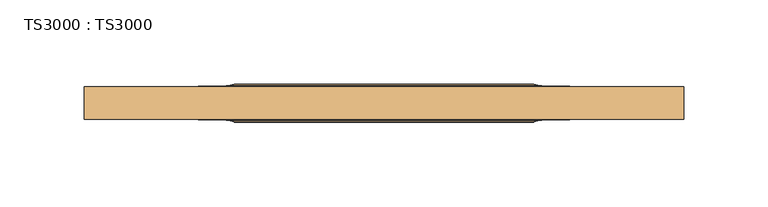
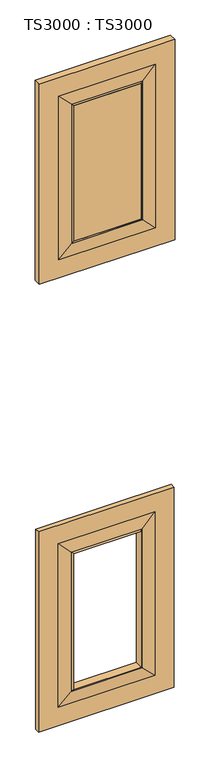
"""IFC4 building model written with IfcOpenShell, lengths in millimetres: door geometry, TS3000 : TS3000."""

import ifcopenshell
import ifcopenshell.guid

model = None  # the IFC model being written
_history = None  # IfcOwnerHistory: only IFC2X3 demands one
_inside = {}  # id of a spatial element -> (the spatial element, [elements in it])
_under = {}  # id of a project, library or spatial element -> (it, [spatial elements below it])
_declared = {}  # id of a project -> (the project, [libraries it declares])
_typed = {}  # id of a type object -> (the type object, [elements of that type])
_made_of = {}  # id of a material, layer set ... -> (it, [elements and type objects made of it])


def new_model(schema):
    """Start an empty IFC model of exactly this schema.

    Asked for "IFC4X3", IfcOpenShell would pick the latest addendum, in which some entities
    have other attributes; the version numbers below select the first issue.
    IFC2X3 requires an IfcOwnerHistory on every rooted entity: one is made here for all.
    """
    global model, _history
    if schema == "IFC4X3":
        model = ifcopenshell.file(schema_version=(4, 3, 0, 0))
    else:
        model = ifcopenshell.file(schema=schema)
    _inside.clear()
    _under.clear()
    _declared.clear()
    _typed.clear()
    _made_of.clear()
    _history = None
    if model.schema == "IFC2X3":
        org = make("IfcOrganization", Name="unknown")
        user = make(
            "IfcPersonAndOrganization",
            ThePerson=make("IfcPerson", FamilyName="unknown"),
            TheOrganization=org,
        )
        app = make(
            "IfcApplication",
            ApplicationDeveloper=org,
            Version="unknown",
            ApplicationFullName="unknown",
            ApplicationIdentifier="unknown",
        )
        _history = make(
            "IfcOwnerHistory",
            OwningUser=user,
            OwningApplication=app,
            ChangeAction="ADDED",
            CreationDate=0,
        )
    return model


def make(cls, **values):
    """One entity of the class cls with the attributes given. An attribute that is None is left unset."""
    return model.create_entity(
        cls, **{name: value for name, value in values.items() if value is not None}
    )


def rooted(cls, **values):
    """An entity with a GlobalId (a new one), such as an element, a storey or a relation."""
    return make(cls, GlobalId=ifcopenshell.guid.new(), OwnerHistory=_history, **values)


def si_unit(unit_type, name, prefix=None):
    """IfcSIUnit, for example si_unit("LENGTHUNIT", "METRE", prefix="MILLI")."""
    return make("IfcSIUnit", UnitType=unit_type, Prefix=prefix, Name=name)


def assignment(units):
    """IfcUnitAssignment: the units of a project."""
    return None if units is None else make("IfcUnitAssignment", Units=units)


def point(xyz):
    """IfcCartesianPoint."""
    return None if xyz is None else make("IfcCartesianPoint", Coordinates=xyz)


def direction(xyz):
    """IfcDirection."""
    return None if xyz is None else make("IfcDirection", DirectionRatios=xyz)


def frame(location, z_axis=None, x_axis=None):
    """IfcAxis2Placement3D, a coordinate frame: its origin and axes. An axis left out is left unset."""
    return make(
        "IfcAxis2Placement3D",
        Location=point(location),
        Axis=direction(z_axis),
        RefDirection=direction(x_axis),
    )


def origin():
    """The frame at (0, 0, 0) with its axes left unset."""
    return frame((0.0, 0.0, 0.0))


def place(relative_to, where):
    """IfcLocalPlacement: puts the frame where relative to a parent placement (None: the world)."""
    return make(
        "IfcLocalPlacement", PlacementRelTo=relative_to, RelativePlacement=where
    )


def context(
    kind, dimensions, precision=None, world=None, true_north=None, identifier=None
):
    """IfcGeometricRepresentationContext, for example the 3D "Model" context."""
    return make(
        "IfcGeometricRepresentationContext",
        ContextIdentifier=identifier,
        ContextType=kind,
        CoordinateSpaceDimension=dimensions,
        Precision=precision,
        WorldCoordinateSystem=world,
        TrueNorth=true_north,
    )


def project(units=None, contexts=None):
    """IfcProject with its units and contexts."""
    return rooted(
        "IfcProject",
        Name="project",
        RepresentationContexts=contexts,
        UnitsInContext=assignment(units),
    )


def spatial(cls, under=None, at=None, **own):
    """A site, building, storey or space (cls), placed at a placement, below another one or the project."""
    s = rooted(cls, ObjectPlacement=at, **own)
    if under is not None:
        _under.setdefault(under.id(), (under, []))[1].append(s)
    return s


def polyline(points):
    """IfcPolyline through the points."""
    return make("IfcPolyline", Points=[point(p) for p in points])


def ellipse_curve(where, semi_axis1, semi_axis2):
    """IfcEllipse in the frame where."""
    return make(
        "IfcEllipse", Position=where, SemiAxis1=semi_axis1, SemiAxis2=semi_axis2
    )


def outline(outer, holes=None, kind="AREA"):
    """IfcArbitraryClosedProfileDef: a profile drawn as a closed curve; with holes, ...WithVoids."""
    if holes is None:
        return make("IfcArbitraryClosedProfileDef", ProfileType=kind, OuterCurve=outer)
    return make(
        "IfcArbitraryProfileDefWithVoids",
        ProfileType=kind,
        OuterCurve=outer,
        InnerCurves=holes,
    )


def extrude(swept, where, along, depth):
    """IfcExtrudedAreaSolid: the profile swept, set in the frame where, extruded along a direction by depth."""
    return make(
        "IfcExtrudedAreaSolid",
        SweptArea=swept,
        Position=where,
        ExtrudedDirection=direction(along),
        Depth=depth,
    )


def shape(context_of_items, identifier, shape_type, items):
    """IfcShapeRepresentation: the items that make up one representation, for example the "Body"."""
    return make(
        "IfcShapeRepresentation",
        ContextOfItems=context_of_items,
        RepresentationIdentifier=identifier,
        RepresentationType=shape_type,
        Items=items,
    )


def source(mapping_origin, context_of_items, identifier, shape_type, items):
    """IfcRepresentationMap: a shape defined once, which mapped items show again and again."""
    return make(
        "IfcRepresentationMap",
        MappingOrigin=mapping_origin,
        MappedRepresentation=shape(context_of_items, identifier, shape_type, items),
    )


def transform(
    local_origin,
    x_axis=None,
    y_axis=None,
    z_axis=None,
    scale=None,
    scale2=None,
    scale3=None,
    uniform=True,
):
    """IfcCartesianTransformationOperator3D, or its non-uniform kind. x_axis, y_axis, z_axis: its Axis1, 2, 3."""
    if uniform:
        return make(
            "IfcCartesianTransformationOperator3D",
            Axis1=direction(x_axis),
            Axis2=direction(y_axis),
            LocalOrigin=point(local_origin),
            Scale=scale,
            Axis3=direction(z_axis),
        )
    return make(
        "IfcCartesianTransformationOperator3DnonUniform",
        Axis1=direction(x_axis),
        Axis2=direction(y_axis),
        LocalOrigin=point(local_origin),
        Scale=scale,
        Axis3=direction(z_axis),
        Scale2=scale2,
        Scale3=scale3,
    )


def mapped(mapping_source, mapping_target):
    """IfcMappedItem: shows the shape of a source again, moved by a transform."""
    return make(
        "IfcMappedItem", MappingSource=mapping_source, MappingTarget=mapping_target
    )


def made_of(thing, what):
    """Note that an element or type object is made of a material, layer set ...; save() writes the relation."""
    if what is not None:
        _made_of.setdefault(what.id(), (what, []))[1].append(thing)
    return thing


def element(
    cls,
    number,
    at=None,
    inside=None,
    cuts=None,
    type_object=None,
    material=None,
    context=None,
    identifier="Body",
    shape_type=None,
    held_by="IfcProductDefinitionShape",
    body=None,
    shapes=None,
    **own,
):
    """One element of the class cls, such as IfcWall. Its Tag is "e" and its number.

    at: its placement. inside: the storey or other place that contains it. cuts: it is an
    opening in that element (IfcRelVoidsElement). A single representation is given by context,
    identifier, shape_type and body (its items); several are given by shapes. held_by: the class
    of the entity that holds the representations. save() writes the other relations.
    """
    e = rooted(cls, Tag="e%d" % number, ObjectPlacement=at, **own)
    if body is not None:
        shapes = [shape(context, identifier, shape_type, body)]
    if shapes is not None:
        e.Representation = make(held_by, Representations=shapes)
    if inside is not None:
        _inside.setdefault(inside.id(), (inside, []))[1].append(e)
    if cuts is not None:
        rooted(
            "IfcRelVoidsElement", RelatingBuildingElement=cuts, RelatedOpeningElement=e
        )
    if type_object is not None:
        _typed.setdefault(type_object.id(), (type_object, []))[1].append(e)
    return made_of(e, material)


def aggregate(whole, parts):
    """IfcRelAggregates: a whole, such as a stair, and the parts it consists of."""
    return rooted("IfcRelAggregates", RelatingObject=whole, RelatedObjects=parts)


def save(model, path):
    """Write the relations noted so far, then the file.

    IfcRelAggregates (storeys below a building ...), IfcRelContainedInSpatialStructure (elements
    in a storey), IfcRelDefinesByType, IfcRelAssociatesMaterial and IfcRelDeclares: one each for
    every whole, place, type object, material and project.
    """
    for whole, parts in _under.values():
        aggregate(whole, parts)
    for where, things in _inside.values():
        rooted(
            "IfcRelContainedInSpatialStructure",
            RelatedElements=things,
            RelatingStructure=where,
        )
    for kind, things in _typed.values():
        rooted("IfcRelDefinesByType", RelatedObjects=things, RelatingType=kind)
    for what, things in _made_of.values():
        rooted("IfcRelAssociatesMaterial", RelatedObjects=things, RelatingMaterial=what)
    for by, libraries in _declared.values():
        rooted("IfcRelDeclares", RelatingContext=by, RelatedDefinitions=libraries)
    model.write(path)


def plane_surface(at):
    """IfcPlane: the flat surface through the origin of the frame at, square to its z axis."""
    return make("IfcPlane", Position=at)


def revolved_surface(curve, axis_point, axis_direction):
    """IfcSurfaceOfRevolution: the curve turned about the line through axis_point along axis_direction."""
    return make(
        "IfcSurfaceOfRevolution",
        SweptCurve=make("IfcArbitraryOpenProfileDef", ProfileType="CURVE", Curve=curve),
        AxisPosition=make("IfcAxis1Placement", Location=point(axis_point), Axis=direction(axis_direction)),
    )


def advanced_brep(points, edges, surfaces, faces):
    """IfcAdvancedBrep: a solid bounded by faces that lie on surfaces and meet in shared edges.

    An edge is (start, end): straight between two places in points (the first is 0);
    or (start, end, curve); or (start, end, curve, False) where it runs against its curve.
    A face is (place in surfaces, loops), or (place, loops, False) where it looks against
    its surface's normal. A loop lists edges by number (the first is 1), with a minus sign
    where the edge is run from its end to its start. The first loop is the outer one.
    """
    corners = [point(p) for p in points]
    vertices = [make("IfcVertexPoint", VertexGeometry=c) for c in corners]
    made = []
    for start, end, *more in edges:
        made.append(
            make(
                "IfcEdgeCurve",
                EdgeStart=vertices[start],
                EdgeEnd=vertices[end],
                EdgeGeometry=more[0] if more else make("IfcPolyline", Points=[corners[start], corners[end]]),
                SameSense=more[1] if len(more) > 1 else True,
            )
        )
    hull = []
    for where, loops, *sense in faces:
        bounds = []
        for j, loop in enumerate(loops):
            ring = [make("IfcOrientedEdge", EdgeElement=made[abs(k) - 1], Orientation=k > 0) for k in loop]
            bounds.append(
                make(
                    "IfcFaceOuterBound" if j == 0 else "IfcFaceBound",
                    Bound=make("IfcEdgeLoop", EdgeList=ring),
                    Orientation=True,
                )
            )
        hull.append(make("IfcAdvancedFace", Bounds=bounds, FaceSurface=surfaces[where], SameSense=sense[0] if sense else True))
    return make("IfcAdvancedBrep", Outer=make("IfcClosedShell", CfsFaces=hull))


def ts3000_ts3000_e69fdbf4(model_context):
    return source(origin(), model_context, "Body", "SolidModel", [
        advanced_brep(
        [(482.6, 15.875, 764.1166667), (482.6, 15.875, 209.55), (482.6, 28.575, 209.55), (482.6, 28.575, 764.1166667), (393.7, 33.3375, 675.2166667), (393.7, 33.3375, 298.45), (393.7, 11.1125, 298.45), (393.7, 11.1125, 675.2166667), (127.0, 15.875, 209.55), (127.0, 28.575, 209.55), (215.9, 33.3375, 298.45), (215.9, 11.1125, 298.45), (127.0, 15.875, 764.1166667), (127.0, 28.575, 764.1166667), (215.9, 33.3375, 675.2166667), (215.9, 11.1125, 675.2166667), (431.8, 28.575, 260.35), (431.8, 28.575, 713.3166667), (177.8, 28.575, 713.3166667), (177.8, 28.575, 260.35), (431.8, 15.875, 713.3166667), (431.8, 15.875, 260.35), (177.8, 15.875, 260.35), (177.8, 15.875, 713.3166667), (398.4625, 30.95625, 293.6875), (398.4625, 30.95625, 679.9791667), (211.1375, 30.95625, 293.6875), (211.1375, 30.95625, 679.9791667), (398.4625, 13.49375, 679.9791667), (398.4625, 13.49375, 293.6875), (211.1375, 13.49375, 293.6875), (211.1375, 13.49375, 679.9791667)],
        [
            (0, 1),
            (1, 2),
            (2, 3),
            (3, 0),
            (4, 5),
            (5, 6),
            (6, 7),
            (7, 4),
            (1, 8),
            (8, 9),
            (9, 2),
            (5, 10),
            (10, 11),
            (11, 6),
            (8, 12),
            (12, 13),
            (13, 9),
            (10, 14),
            (14, 15),
            (15, 11),
            (13, 3),
            (16, 17),
            (17, 18),
            (18, 19),
            (19, 16),
            (12, 0),
            (20, 21),
            (21, 22),
            (22, 23),
            (23, 20),
            (14, 4),
            (7, 15),
            (16, 24),
            (24, 25),
            (25, 17),
            (19, 26),
            (26, 24),
            (18, 27),
            (27, 26),
            (25, 27),
            (28, 29),
            (29, 21),
            (20, 28),
            (6, 29, ellipse_curve(frame((398.9585938, 6.5484375, 293.1914062), z_axis=(-0.7071067811865475, 0.0, -0.7071067811865475), x_axis=(0.7071067811865474, 0.0, -0.7071067811865476)), 9.8471798, 6.9630076)),
            (28, 7, ellipse_curve(frame((398.9585938, 6.5484375, 680.4752604), z_axis=(-0.7071067811865475, 0.0, 0.7071067811865475), x_axis=(-0.7071067811865474, 0.0, -0.7071067811865476)), 9.8471798, 6.9630076)),
            (24, 5, ellipse_curve(frame((398.9585938, 37.9015625, 293.1914062), z_axis=(-0.7071067811865475, 0.0, -0.7071067811865475), x_axis=(0.7071067811865474, 0.0, -0.7071067811865476)), 9.8471798, 6.9630076)),
            (4, 25, ellipse_curve(frame((398.9585938, 37.9015625, 680.4752604), z_axis=(-0.7071067811865475, 0.0, 0.7071067811865475), x_axis=(-0.7071067811865474, 0.0, -0.7071067811865476)), 9.8471798, 6.9630076)),
            (29, 30),
            (30, 22),
            (11, 30, ellipse_curve(frame((210.6414063, 6.5484375, 293.1914062), z_axis=(-0.7071067811865475, 0.0, 0.7071067811865475), x_axis=(-0.7071067811865476, 0.0, -0.7071067811865474)), 9.8471798, 6.9630076)),
            (26, 10, ellipse_curve(frame((210.6414063, 37.9015625, 293.1914062), z_axis=(-0.7071067811865475, 0.0, 0.7071067811865475), x_axis=(-0.7071067811865476, 0.0, -0.7071067811865474)), 9.8471798, 6.9630076)),
            (30, 31),
            (31, 23),
            (15, 31, ellipse_curve(frame((210.6414063, 6.5484375, 680.4752604), z_axis=(0.7071067811865475, 0.0, 0.7071067811865475), x_axis=(-0.7071067811865474, 0.0, 0.7071067811865476)), 9.8471798, 6.9630076)),
            (27, 14, ellipse_curve(frame((210.6414063, 37.9015625, 680.4752604), z_axis=(0.7071067811865475, 0.0, 0.7071067811865475), x_axis=(-0.7071067811865474, 0.0, 0.7071067811865476)), 9.8471798, 6.9630076)),
            (31, 28),
        ],
        [
            plane_surface(frame((482.6, 28.575, 764.1166667), z_axis=(1.0, 0.0, 0.0), x_axis=(0.0, 0.0, -1.0))),
            plane_surface(frame((393.7, 11.1125, 675.2166667), z_axis=(-1.0, 0.0, 0.0), x_axis=(0.0, 0.0, -1.0))),
            plane_surface(frame((482.6, 28.575, 209.55), z_axis=(0.0, 0.0, -1.0), x_axis=(-1.0, 0.0, 0.0))),
            plane_surface(frame((393.7, 11.1125, 298.45), z_axis=(0.0, 0.0, 1.0), x_axis=(-1.0, 0.0, 0.0))),
            plane_surface(frame((127.0, 28.575, 209.55), z_axis=(-1.0, 0.0, 0.0), x_axis=(0.0, 0.0, 1.0))),
            plane_surface(frame((215.9, 11.1125, 298.45), z_axis=(1.0, 0.0, 0.0), x_axis=(0.0, 0.0, 1.0))),
            plane_surface(frame((177.8, 28.575, 713.3166667), z_axis=(0.0, 1.0, 0.0), x_axis=(1.0, 0.0, 0.0))),
            plane_surface(frame((127.0, 28.575, 764.1166667), z_axis=(0.0, 0.0, 1.0), x_axis=(1.0, 0.0, 0.0))),
            plane_surface(frame((127.0, 15.875, 764.1166667), z_axis=(0.0, -1.0, 0.0), x_axis=(1.0, 0.0, 0.0))),
            plane_surface(frame((215.9, 11.1125, 675.2166667), z_axis=(0.0, 0.0, -1.0), x_axis=(1.0, 0.0, 0.0))),
            plane_surface(frame((398.4625, 30.95625, 679.9791667), z_axis=(0.07124704998802811, 0.9974586998307265, 0.0), x_axis=(0.0, 0.0, -1.0))),
            plane_surface(frame((398.4625, 30.95625, 293.6875), z_axis=(0.0, 0.9974586998307263, -0.07124704998803134), x_axis=(-1.0, 0.0, 0.0))),
            plane_surface(frame((211.1375, 30.95625, 293.6875), z_axis=(-0.07124704998803458, 0.9974586998307261, 0.0), x_axis=(0.0, 0.0, 1.0))),
            plane_surface(frame((211.1375, 30.95625, 679.9791667), z_axis=(0.0, 0.9974586998307263, 0.07124704998803134), x_axis=(1.0, 0.0, 0.0))),
            plane_surface(frame((431.8, 15.875, 713.3166667), z_axis=(0.07124704998803484, -0.9974586998307261, 0.0), x_axis=(0.0, 0.0, -1.0))),
            revolved_surface(polyline([(391.9955862, 6.5484375, 286.2283985878568), (391.9955862, 6.5484375, 687.4382680121432)]), (398.9585938, 6.5484375, 675.2166667), (0.0, 0.0, -1.0)),
            revolved_surface(polyline([(391.9955862, 37.9015625, 286.2283985878568), (391.9955862, 37.9015625, 687.4382680121432)]), (398.9585938, 37.9015625, 675.2166667), (0.0, 0.0, -1.0)),
            plane_surface(frame((431.8, 15.875, 260.35), z_axis=(0.0, -0.9974586998307263, -0.07124704998803161), x_axis=(-1.0, 0.0, 0.0))),
            revolved_surface(polyline([(203.6783986878568, 6.5484375, 300.15441380000004), (405.9216014121432, 6.5484375, 300.15441380000004)]), (393.7, 6.5484375, 293.1914062), (-1.0, 0.0, 0.0)),
            revolved_surface(polyline([(203.6783986878568, 37.9015625, 300.15441380000004), (405.9216014121432, 37.9015625, 300.15441380000004)]), (393.7, 37.9015625, 293.1914062), (-1.0, 0.0, 0.0)),
            plane_surface(frame((177.8, 15.875, 260.35), z_axis=(-0.07124704998802837, -0.9974586998307265, 0.0), x_axis=(0.0, 0.0, 1.0))),
            revolved_surface(polyline([(217.6044139, 6.5484375, 687.4382680121432), (217.6044139, 6.5484375, 286.2283985878568)]), (210.6414063, 6.5484375, 298.45), (0.0, 0.0, 1.0)),
            revolved_surface(polyline([(217.6044139, 37.9015625, 687.4382680121432), (217.6044139, 37.9015625, 286.2283985878568)]), (210.6414063, 37.9015625, 298.45), (0.0, 0.0, 1.0)),
            plane_surface(frame((177.8, 15.875, 713.3166667), z_axis=(0.0, -0.9974586998307263, 0.07124704998803161), x_axis=(1.0, 0.0, 0.0))),
            revolved_surface(polyline([(405.9216014121432, 6.5484375, 673.5122528), (203.6783986878568, 6.5484375, 673.5122528)]), (215.9, 6.5484375, 680.4752604), (1.0, 0.0, 0.0)),
            revolved_surface(polyline([(405.9216014121432, 37.9015625, 673.5122528), (203.6783986878568, 37.9015625, 673.5122528)]), (215.9, 37.9015625, 680.4752604), (1.0, 0.0, 0.0)),
        ],
        [
            (0, [[1, 2, 3, 4]]),
            (1, [[5, 6, 7, 8]]),
            (2, [[9, 10, 11, -2]]),
            (3, [[12, 13, 14, -6]]),
            (4, [[15, 16, 17, -10]]),
            (5, [[18, 19, 20, -13]]),
            (6, [[-3, -11, -17, 21], [22, 23, 24, 25]]),
            (7, [[26, -4, -21, -16]]),
            (8, [[-1, -26, -15, -9], [27, 28, 29, 30]]),
            (9, [[31, -8, 32, -19]]),
            (10, [[-22, 33, 34, 35]]),
            (11, [[-25, 36, 37, -33]]),
            (12, [[-24, 38, 39, -36]]),
            (13, [[-23, -35, 40, -38]]),
            (14, [[41, 42, -27, 43]]),
            (15, [[-7, 44, -41, 45]]),
            (16, [[-34, 46, -5, 47]]),
            (17, [[48, 49, -28, -42]]),
            (18, [[-14, 50, -48, -44]]),
            (19, [[-37, 51, -12, -46]]),
            (20, [[52, 53, -29, -49]]),
            (21, [[-20, 54, -52, -50]]),
            (22, [[-39, 55, -18, -51]]),
            (23, [[56, -43, -30, -53]]),
            (24, [[-32, -45, -56, -54]]),
            (25, [[-40, -47, -31, -55]]),
        ],
    ),
        advanced_brep(
        [(482.6, 12.7, 2006.6), (482.6, 12.7, 1452.0333333), (482.6, 31.75, 1452.0333333), (482.6, 31.75, 2006.6), (393.7, 33.3375, 1917.7), (393.7, 33.3375, 1540.9333333), (393.7, 11.1125, 1540.9333333), (393.7, 11.1125, 1917.7), (127.0, 12.7, 1452.0333333), (127.0, 31.75, 1452.0333333), (215.9, 33.3375, 1540.9333333), (215.9, 11.1125, 1540.9333333), (127.0, 12.7, 2006.6), (127.0, 31.75, 2006.6), (215.9, 33.3375, 1917.7), (215.9, 11.1125, 1917.7), (431.8, 31.75, 1502.8333333), (431.8, 31.75, 1955.8), (177.8, 31.75, 1955.8), (177.8, 31.75, 1502.8333333), (431.8, 12.7, 1955.8), (431.8, 12.7, 1502.8333333), (177.8, 12.7, 1502.8333333), (177.8, 12.7, 1955.8), (398.4625, 32.54375, 1536.1708333), (398.4625, 32.54375, 1922.4625), (211.1375, 32.54375, 1536.1708333), (211.1375, 32.54375, 1922.4625), (398.4625, 11.90625, 1922.4625), (398.4625, 11.90625, 1536.1708333), (211.1375, 11.90625, 1536.1708333), (211.1375, 11.90625, 1922.4625)],
        [
            (0, 1),
            (1, 2),
            (2, 3),
            (3, 0),
            (4, 5),
            (5, 6),
            (6, 7),
            (7, 4),
            (1, 8),
            (8, 9),
            (9, 2),
            (5, 10),
            (10, 11),
            (11, 6),
            (8, 12),
            (12, 13),
            (13, 9),
            (10, 14),
            (14, 15),
            (15, 11),
            (13, 3),
            (16, 17),
            (17, 18),
            (18, 19),
            (19, 16),
            (12, 0),
            (20, 21),
            (21, 22),
            (22, 23),
            (23, 20),
            (14, 4),
            (7, 15),
            (16, 24),
            (24, 25),
            (25, 17),
            (19, 26),
            (26, 24),
            (18, 27),
            (27, 26),
            (25, 27),
            (28, 29),
            (29, 21),
            (20, 28),
            (6, 29, ellipse_curve(frame((398.9585938, -5.7546875, 1535.6747396), z_axis=(-0.7071067811865475, 0.0, -0.7071067811865475), x_axis=(0.7071067811865474, 0.0, -0.7071067811865476)), 24.9861891, 17.6679037)),
            (28, 7, ellipse_curve(frame((398.9585938, -5.7546875, 1922.9585938), z_axis=(-0.7071067811865475, 0.0, 0.7071067811865475), x_axis=(-0.7071067811865474, 0.0, -0.7071067811865476)), 24.9861891, 17.6679037)),
            (24, 5, ellipse_curve(frame((398.9585938, 50.2046875, 1535.6747396), z_axis=(-0.7071067811865475, 0.0, -0.7071067811865475), x_axis=(0.7071067811865474, 0.0, -0.7071067811865476)), 24.9861891, 17.6679037)),
            (4, 25, ellipse_curve(frame((398.9585938, 50.2046875, 1922.9585938), z_axis=(-0.7071067811865475, 0.0, 0.7071067811865475), x_axis=(-0.7071067811865474, 0.0, -0.7071067811865476)), 24.9861891, 17.6679037)),
            (29, 30),
            (30, 22),
            (11, 30, ellipse_curve(frame((210.6414063, -5.7546875, 1535.6747396), z_axis=(-0.7071067811865475, 0.0, 0.7071067811865475), x_axis=(-0.7071067811865476, 0.0, -0.7071067811865474)), 24.9861891, 17.6679037)),
            (26, 10, ellipse_curve(frame((210.6414063, 50.2046875, 1535.6747396), z_axis=(-0.7071067811865475, 0.0, 0.7071067811865475), x_axis=(-0.7071067811865476, 0.0, -0.7071067811865474)), 24.9861891, 17.6679037)),
            (30, 31),
            (31, 23),
            (15, 31, ellipse_curve(frame((210.6414063, -5.7546875, 1922.9585938), z_axis=(0.7071067811865475, 0.0, 0.7071067811865475), x_axis=(-0.7071067811865474, 0.0, 0.7071067811865476)), 24.9861891, 17.6679037)),
            (27, 14, ellipse_curve(frame((210.6414063, 50.2046875, 1922.9585938), z_axis=(0.7071067811865475, 0.0, 0.7071067811865475), x_axis=(-0.7071067811865474, 0.0, 0.7071067811865476)), 24.9861891, 17.6679037)),
            (31, 28),
        ],
        [
            plane_surface(frame((482.6, 31.75, 2006.6), z_axis=(1.0, 0.0, 0.0), x_axis=(0.0, 0.0, -1.0))),
            plane_surface(frame((393.7, 11.1125, 1917.7), z_axis=(-1.0, 0.0, 0.0), x_axis=(0.0, 0.0, -1.0))),
            plane_surface(frame((482.6, 31.75, 1452.0333333), z_axis=(0.0, 0.0, -1.0), x_axis=(-1.0, 0.0, 0.0))),
            plane_surface(frame((393.7, 11.1125, 1540.9333333), z_axis=(0.0, 0.0, 1.0), x_axis=(-1.0, 0.0, 0.0))),
            plane_surface(frame((127.0, 31.75, 1452.0333333), z_axis=(-1.0, 0.0, 0.0), x_axis=(0.0, 0.0, 1.0))),
            plane_surface(frame((215.9, 11.1125, 1540.9333333), z_axis=(1.0, 0.0, 0.0), x_axis=(0.0, 0.0, 1.0))),
            plane_surface(frame((177.8, 31.75, 1955.8), z_axis=(0.0, 1.0, 0.0), x_axis=(1.0, 0.0, 0.0))),
            plane_surface(frame((127.0, 31.75, 2006.6), z_axis=(0.0, 0.0, 1.0), x_axis=(1.0, 0.0, 0.0))),
            plane_surface(frame((127.0, 12.7, 2006.6), z_axis=(0.0, -1.0, 0.0), x_axis=(1.0, 0.0, 0.0))),
            plane_surface(frame((215.9, 11.1125, 1917.7), z_axis=(0.0, 0.0, -1.0), x_axis=(1.0, 0.0, 0.0))),
            plane_surface(frame((398.4625, 32.54375, 1922.4625), z_axis=(0.023802777946325054, 0.9997166737441353, 0.0), x_axis=(0.0, 0.0, -1.0))),
            plane_surface(frame((398.4625, 32.54375, 1536.1708333), z_axis=(0.0, 0.9997166737441353, -0.02380277794632829), x_axis=(-1.0, 0.0, 0.0))),
            plane_surface(frame((211.1375, 32.54375, 1536.1708333), z_axis=(-0.023802777946331524, 0.9997166737441352, 0.0), x_axis=(0.0, 0.0, 1.0))),
            plane_surface(frame((211.1375, 32.54375, 1922.4625), z_axis=(0.0, 0.9997166737441353, 0.02380277794632829), x_axis=(1.0, 0.0, 0.0))),
            plane_surface(frame((431.8, 12.7, 1955.8), z_axis=(0.023802777946332284, -0.9997166737441352, 0.0), x_axis=(0.0, 0.0, -1.0))),
            revolved_surface(polyline([(381.2906901, -5.7546875, 1518.0068358513806), (381.2906901, -5.7546875, 1940.6264975486195)]), (398.9585938, -5.7546875, 1917.7), (0.0, 0.0, -1.0)),
            revolved_surface(polyline([(381.2906901, 50.2046875, 1518.0068358513806), (381.2906901, 50.2046875, 1940.6264975486195)]), (398.9585938, 50.2046875, 1917.7), (0.0, 0.0, -1.0)),
            plane_surface(frame((431.8, 12.7, 1502.8333333), z_axis=(0.0, -0.9997166737441353, -0.02380277794632905), x_axis=(-1.0, 0.0, 0.0))),
            revolved_surface(polyline([(192.9735025513806, -5.7546875, 1553.3426433), (416.6264975486194, -5.7546875, 1553.3426433)]), (393.7, -5.7546875, 1535.6747396), (-1.0, 0.0, 0.0)),
            revolved_surface(polyline([(192.9735025513806, 50.2046875, 1553.3426433), (416.6264975486194, 50.2046875, 1553.3426433)]), (393.7, 50.2046875, 1535.6747396), (-1.0, 0.0, 0.0)),
            plane_surface(frame((177.8, 12.7, 1502.8333333), z_axis=(-0.023802777946325817, -0.9997166737441354, 0.0), x_axis=(0.0, 0.0, 1.0))),
            revolved_surface(polyline([(228.30931, -5.7546875, 1940.6264975486195), (228.30931, -5.7546875, 1518.0068358513806)]), (210.6414063, -5.7546875, 1540.9333333), (0.0, 0.0, 1.0)),
            revolved_surface(polyline([(228.30931, 50.2046875, 1940.6264975486195), (228.30931, 50.2046875, 1518.0068358513806)]), (210.6414063, 50.2046875, 1540.9333333), (0.0, 0.0, 1.0)),
            plane_surface(frame((177.8, 12.7, 1955.8), z_axis=(0.0, -0.9997166737441353, 0.02380277794632905), x_axis=(1.0, 0.0, 0.0))),
            revolved_surface(polyline([(416.62649754861945, -5.7546875, 1905.2906901000001), (192.9735025513806, -5.7546875, 1905.2906901000001)]), (215.9, -5.7546875, 1922.9585938), (1.0, 0.0, 0.0)),
            revolved_surface(polyline([(416.62649754861945, 50.2046875, 1905.2906901000001), (192.9735025513806, 50.2046875, 1905.2906901000001)]), (215.9, 50.2046875, 1922.9585938), (1.0, 0.0, 0.0)),
        ],
        [
            (0, [[1, 2, 3, 4]]),
            (1, [[5, 6, 7, 8]]),
            (2, [[9, 10, 11, -2]]),
            (3, [[12, 13, 14, -6]]),
            (4, [[15, 16, 17, -10]]),
            (5, [[18, 19, 20, -13]]),
            (6, [[-3, -11, -17, 21], [22, 23, 24, 25]]),
            (7, [[26, -4, -21, -16]]),
            (8, [[-1, -26, -15, -9], [27, 28, 29, 30]]),
            (9, [[31, -8, 32, -19]]),
            (10, [[-22, 33, 34, 35]]),
            (11, [[-25, 36, 37, -33]]),
            (12, [[-24, 38, 39, -36]]),
            (13, [[-23, -35, 40, -38]]),
            (14, [[41, 42, -27, 43]]),
            (15, [[-7, 44, -41, 45]]),
            (16, [[-34, 46, -5, 47]]),
            (17, [[48, 49, -28, -42]]),
            (18, [[-14, 50, -48, -44]]),
            (19, [[-37, 51, -12, -46]]),
            (20, [[52, 53, -29, -49]]),
            (21, [[-20, 54, -52, -50]]),
            (22, [[-39, 55, -18, -51]]),
            (23, [[56, -43, -30, -53]]),
            (24, [[-32, -45, -56, -54]]),
            (25, [[-40, -47, -31, -55]]),
        ],
    ),
        extrude(outline(polyline([(215.9, 11.1125), (215.9, 33.3375), (393.7, 33.3375), (393.7, 11.1125), (215.9, 11.1125)])), frame((0.0, 0.0, 1540.9333333), z_axis=(0.0, 0.0, 1.0), x_axis=(1.0, 0.0, 0.0)), (0.0, 0.0, 1.0), 376.7666667),
    ])


if __name__ == "__main__":
    model = new_model("IFC4")
    model_context = context("Model", 3, world=origin())
    ifc_project = project(units=[si_unit("LENGTHUNIT", "METRE", prefix="MILLI")], contexts=[model_context])
    site = spatial("IfcSite", under=ifc_project)
    building = spatial("IfcBuilding", under=site)
    placement = place(None, origin())
    ts3000_ts3000_shape = ts3000_ts3000_e69fdbf4(model_context)
    element("IfcDoor", 1, ObjectType="TS3000 : TS3000", at=placement, inside=building, context=model_context, shape_type="MappedRepresentation", body=[
        mapped(ts3000_ts3000_shape, transform((0.0, 0.0, 0.0), x_axis=(1.0, 0.0, 0.0), y_axis=(0.0, 1.0, 0.0), z_axis=(0.0, 0.0, 1.0))),
    ])
    save(model, "model.ifc")
